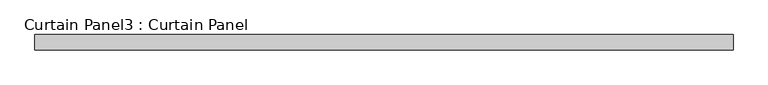
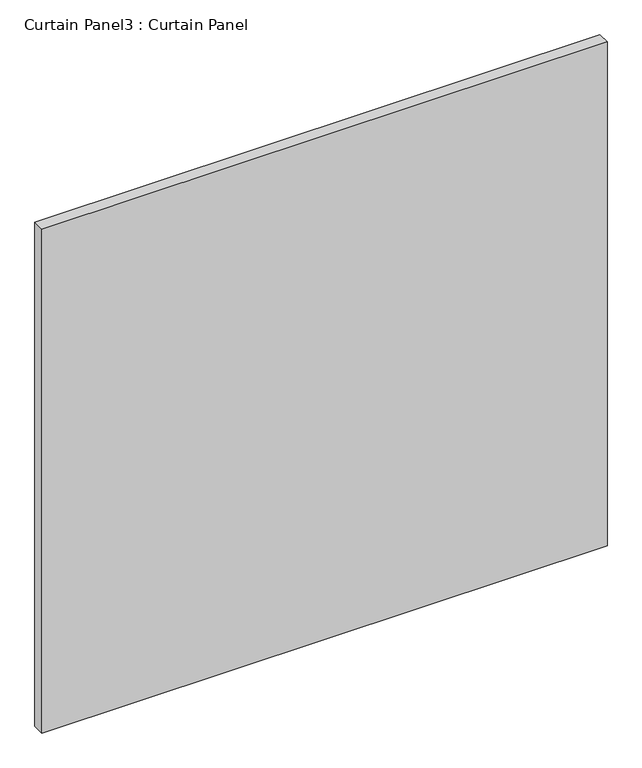
"""IFC4 building model written with IfcOpenShell, lengths in millimetres: plate geometry, Curtain Panel3 : Curtain Panel."""

from ifc_helpers import new_model, si_unit, frame, origin, place, context, project, spatial, polyline, outline, extrude, source, transform, mapped, element, save


def curtain_panel3_curtain_panel_7477c5f6(model_context):
    return source(origin(), model_context, "Body", "SweptSolid", [
        extrude(outline(polyline([(-292159.1274652, -494.5574136), (-293330.7024652, -494.5574136), (-293330.7024652, -469.1574136), (-292159.1274652, -469.1574136), (-292159.1274652, -494.5574136)])), frame((0.0, 0.0, -1198.5624365), z_axis=(0.0, 0.0, 1.0), x_axis=(1.0, 0.0, 0.0)), (0.0, 0.0, 1.0), 1104.8999368),
    ])


if __name__ == "__main__":
    model = new_model("IFC4")
    model_context = context("Model", 3, world=origin())
    ifc_project = project(units=[si_unit("LENGTHUNIT", "METRE", prefix="MILLI")], contexts=[model_context])
    site = spatial("IfcSite", under=ifc_project)
    building = spatial("IfcBuilding", under=site)
    placement = place(None, origin())
    curtain_panel3_curtain_panel_shape = curtain_panel3_curtain_panel_7477c5f6(model_context)
    element("IfcPlate", 1, ObjectType="Curtain Panel3 : Curtain Panel", at=placement, inside=building, context=model_context, shape_type="MappedRepresentation", body=[
        mapped(curtain_panel3_curtain_panel_shape, transform((0.0, 0.0, 0.0), x_axis=(1.0, 0.0, 0.0), y_axis=(0.0, 1.0, 0.0), z_axis=(0.0, 0.0, 1.0))),
    ])
    save(model, "model.ifc")
